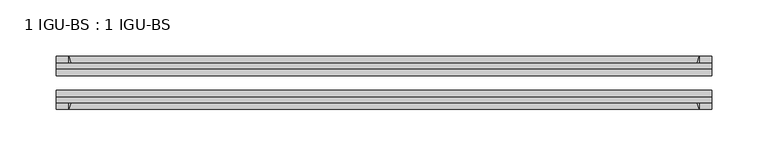
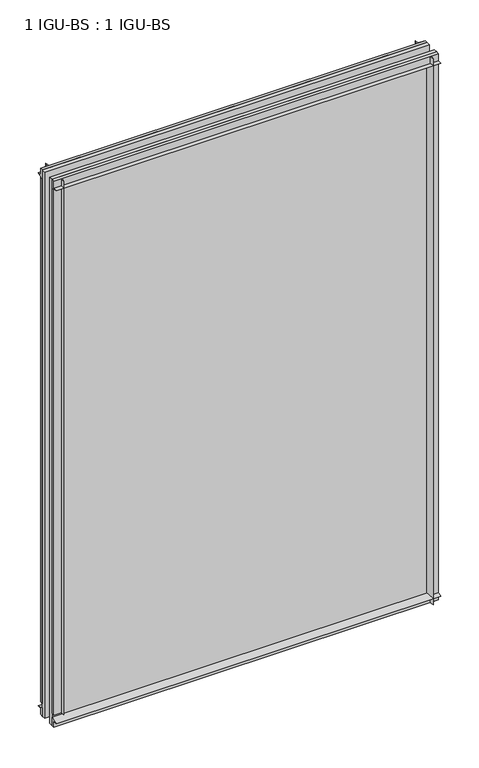
"""IFC4 building model written with IfcOpenShell, lengths in millimetres: plate geometry, 1 IGU-BS : 1 IGU-BS."""

from ifc_helpers import new_model, si_unit, point, frame, frame_2d, origin, origin_with_axes, place, context, project, spatial, polyline, circle_curve, trimmed, segment, composite_curve, outline, extrude, source, transform, mapped, element, save


def plate_1_igu_bs_1_igu_bs_2096739a(model_context):
    return source(origin(), model_context, "Body", "SweptSolid", [
        extrude(outline(composite_curve([segment(polyline([(-109.8637312, 860.425), (-103.8947312, 860.425), (-103.8947312, 871.5375), (-99.1195312, 871.5375), (-99.1195312, 856.5271095)]), True, "CONTINUOUS"), segment(trimmed(circle_curve(frame_2d((-115.4953516, 828.1452461)), 32.7673262), [point((-99.1195312, 856.5271095))], [point((-109.8637312, 860.425))], True, "CARTESIAN"), True, "CONTINUOUS")], self_intersect=False)), frame((-290.5125, 0.0, 0.0), z_axis=(1.0, 0.0, 0.0), x_axis=(0.0, 1.0, 0.0)), (0.0, 0.0, 1.0), 581.025),
        extrude(outline(composite_curve([segment(polyline([(-73.7195312, 856.5271095), (-73.7195312, 871.5375), (-68.9443312, 871.5375), (-68.9443312, 860.425), (-62.9753315, 860.425)]), True, "CONTINUOUS"), segment(trimmed(circle_curve(frame_2d((-57.3437109, 828.1452461)), 32.7673262), [point((-62.9753315, 860.425))], [point((-73.7195312, 856.5271095))], True, "CARTESIAN"), True, "CONTINUOUS")], self_intersect=False)), frame((-290.5125, 0.0, 0.0), z_axis=(1.0, 0.0, 0.0), x_axis=(0.0, 1.0, 0.0)), (0.0, 0.0, 1.0), 581.025),
        extrude(outline(composite_curve([segment(polyline([(-103.8947312, 0.0), (-103.8947312, 9.5265381), (-109.8637315, 9.5265381)]), True, "CONTINUOUS"), segment(trimmed(circle_curve(frame_2d((-115.5567965, 42.1919217)), 33.1577785), [point((-109.8637315, 9.5265381))], [point((-99.1195312, 13.3951409))], True, "CARTESIAN"), True, "CONTINUOUS"), segment(polyline([(-99.1195312, 13.3951409), (-99.1195312, 0.0), (-103.8947312, 0.0)]), True, "CONTINUOUS")], self_intersect=False)), frame((-290.5125, 0.0, 0.0), z_axis=(1.0, 0.0, 0.0), x_axis=(0.0, 1.0, 0.0)), (0.0, 0.0, 1.0), 581.025),
        extrude(outline(composite_curve([segment(polyline([(-68.9443312, 0.0), (-73.7195312, 0.0), (-73.7195312, 13.4228906)]), True, "CONTINUOUS"), segment(trimmed(circle_curve(frame_2d((-57.3437109, 41.804754)), 32.7673262), [point((-73.7195312, 13.4228906))], [point((-62.9841404, 9.5265381))], True, "CARTESIAN"), True, "CONTINUOUS"), segment(polyline([(-62.9841404, 9.5265381), (-68.9443312, 9.5265381), (-68.9443312, 0.0)]), True, "CONTINUOUS")], self_intersect=False)), frame((-290.5125, 0.0, 0.0), z_axis=(1.0, 0.0, 0.0), x_axis=(0.0, 1.0, 0.0)), (0.0, 0.0, 1.0), 581.025),
        extrude(outline(composite_curve([segment(polyline([(290.5125, -68.9443313), (290.5125, -73.7195313), (275.5021095, -73.7195313)]), True, "CONTINUOUS"), segment(trimmed(circle_curve(frame_2d((247.120246, -57.3437109)), 32.7673262), [point((275.5021095, -73.7195313))], [point((279.4, -62.9753313))], True, "CARTESIAN"), True, "CONTINUOUS"), segment(polyline([(279.4, -62.9753313), (279.4, -68.9443313), (290.5125, -68.9443313)]), True, "CONTINUOUS")], self_intersect=False)), origin_with_axes(), (0.0, 0.0, 1.0), 871.5375),
        extrude(outline(composite_curve([segment(polyline([(290.5125, -99.1195313), (290.5125, -103.8947312), (279.4, -103.8947312), (279.4, -109.8637312)]), True, "CONTINUOUS"), segment(trimmed(circle_curve(frame_2d((247.120246, -115.4953516)), 32.7673262), [point((279.4, -109.8637312))], [point((275.5021095, -99.1195313))], True, "CARTESIAN"), True, "CONTINUOUS"), segment(polyline([(275.5021095, -99.1195313), (290.5125, -99.1195313)]), True, "CONTINUOUS")], self_intersect=False)), origin_with_axes(), (0.0, 0.0, 1.0), 871.5375),
        extrude(outline(composite_curve([segment(polyline([(-290.5125, -68.9443313), (-279.4, -68.9443313), (-279.4, -62.9753312)]), True, "CONTINUOUS"), segment(trimmed(circle_curve(frame_2d((-247.120246, -57.3437109)), 32.7673262), [point((-279.4, -62.9753312))], [point((-275.5021095, -73.7195313))], True, "CARTESIAN"), True, "CONTINUOUS"), segment(polyline([(-275.5021095, -73.7195313), (-290.5125, -73.7195313), (-290.5125, -68.9443313)]), True, "CONTINUOUS")], self_intersect=False)), frame((0.0, 0.0, 19.8437501), z_axis=(0.0, 0.0, 1.0), x_axis=(1.0, 0.0, 0.0)), (0.0, 0.0, 1.0), 851.6937499),
        extrude(outline(composite_curve([segment(polyline([(-290.5125, -103.8947312), (-290.5125, -99.1195313), (-275.5021095, -99.1195313)]), True, "CONTINUOUS"), segment(trimmed(circle_curve(frame_2d((-247.120246, -115.4953516)), 32.7673262), [point((-275.5021095, -99.1195313))], [point((-279.4, -109.8637313))], True, "CARTESIAN"), True, "CONTINUOUS"), segment(polyline([(-279.4, -109.8637313), (-279.4, -103.8947312), (-290.5125, -103.8947312)]), True, "CONTINUOUS")], self_intersect=False)), frame((0.0, 0.0, 19.8437501), z_axis=(0.0, 0.0, 1.0), x_axis=(1.0, 0.0, 0.0)), (0.0, 0.0, 1.0), 851.6937499),
        extrude(outline(polyline([(-290.5125, -99.1195313), (-290.5125, -92.8203313), (290.5125, -92.8203313), (290.5125, -99.1195313), (-290.5125, -99.1195313)])), origin_with_axes(), (0.0, 0.0, 1.0), 871.5375),
        extrude(outline(polyline([(290.5125, -80.0187313), (-290.5125, -80.0187313), (-290.5125, -73.7195313), (290.5125, -73.7195313), (290.5125, -80.0187313)])), origin_with_axes(), (0.0, 0.0, 1.0), 871.5375),
    ])


if __name__ == "__main__":
    model = new_model("IFC4")
    model_context = context("Model", 3, world=origin())
    ifc_project = project(units=[si_unit("LENGTHUNIT", "METRE", prefix="MILLI")], contexts=[model_context])
    site = spatial("IfcSite", under=ifc_project)
    building = spatial("IfcBuilding", under=site)
    placement = place(None, origin())
    plate_1_igu_bs_1_igu_bs_shape = plate_1_igu_bs_1_igu_bs_2096739a(model_context)
    element("IfcPlate", 1, ObjectType="1 IGU-BS : 1 IGU-BS", at=placement, inside=building, context=model_context, shape_type="MappedRepresentation", body=[
        mapped(plate_1_igu_bs_1_igu_bs_shape, transform((0.0, 0.0, 0.0), x_axis=(1.0, 0.0, 0.0), y_axis=(0.0, 1.0, 0.0), z_axis=(0.0, 0.0, 1.0))),
    ])
    save(model, "model.ifc")
